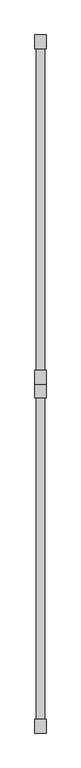
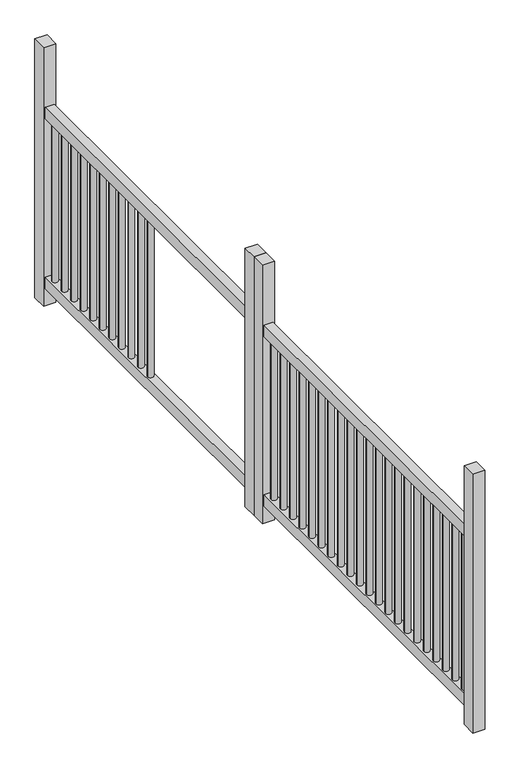
"""IFC4 building model written with IfcOpenShell, lengths in millimetres: railing geometry."""

from ifc_helpers import new_model, si_unit, point, frame, frame_2d, origin, origin_with_axes, place, context, project, spatial, polyline, circle_curve, trimmed, segment, composite_curve, outline, extrude, source, transform, mapped, element, save


def railing_8ab2999a(model_context):
    return source(origin(), model_context, "Body", "SweptSolid", [
        extrude(outline(composite_curve([segment(trimmed(circle_curve(frame_2d((139.7628773, -23886.8028355)), 10.0), [point((149.7628773, -23886.8028355))], [point((129.7628773, -23886.8028355))], False, "CARTESIAN"), True, "CONTINUOUS"), segment(trimmed(circle_curve(frame_2d((139.7628773, -23886.8028355)), 10.0), [point((129.7628773, -23886.8028355))], [point((149.7628773, -23886.8028355))], False, "CARTESIAN"), True, "CONTINUOUS")], self_intersect=False)), frame((0.0, 0.0, 100.0), z_axis=(0.0, 0.0, 1.0), x_axis=(1.0, 0.0, 0.0)), (0.0, 0.0, 1.0), 550.0),
        extrude(outline(composite_curve([segment(trimmed(circle_curve(frame_2d((139.7628773, -23832.3028355)), 10.0), [point((149.7628773, -23832.3028355))], [point((129.7628773, -23832.3028355))], False, "CARTESIAN"), True, "CONTINUOUS"), segment(trimmed(circle_curve(frame_2d((139.7628773, -23832.3028355)), 10.0), [point((129.7628773, -23832.3028355))], [point((149.7628773, -23832.3028355))], False, "CARTESIAN"), True, "CONTINUOUS")], self_intersect=False)), frame((0.0, 0.0, 100.0), z_axis=(0.0, 0.0, 1.0), x_axis=(1.0, 0.0, 0.0)), (0.0, 0.0, 1.0), 550.0),
        extrude(outline(composite_curve([segment(trimmed(circle_curve(frame_2d((139.7628773, -23777.8028355)), 10.0), [point((149.7628773, -23777.8028355))], [point((129.7628773, -23777.8028355))], False, "CARTESIAN"), True, "CONTINUOUS"), segment(trimmed(circle_curve(frame_2d((139.7628773, -23777.8028355)), 10.0), [point((129.7628773, -23777.8028355))], [point((149.7628773, -23777.8028355))], False, "CARTESIAN"), True, "CONTINUOUS")], self_intersect=False)), frame((0.0, 0.0, 100.0), z_axis=(0.0, 0.0, 1.0), x_axis=(1.0, 0.0, 0.0)), (0.0, 0.0, 1.0), 550.0),
        extrude(outline(composite_curve([segment(trimmed(circle_curve(frame_2d((139.7628773, -23723.3028355)), 10.0), [point((149.7628773, -23723.3028355))], [point((129.7628773, -23723.3028355))], False, "CARTESIAN"), True, "CONTINUOUS"), segment(trimmed(circle_curve(frame_2d((139.7628773, -23723.3028355)), 10.0), [point((129.7628773, -23723.3028355))], [point((149.7628773, -23723.3028355))], False, "CARTESIAN"), True, "CONTINUOUS")], self_intersect=False)), frame((0.0, 0.0, 100.0), z_axis=(0.0, 0.0, 1.0), x_axis=(1.0, 0.0, 0.0)), (0.0, 0.0, 1.0), 550.0),
        extrude(outline(composite_curve([segment(trimmed(circle_curve(frame_2d((139.7628773, -23668.8028355)), 10.0), [point((149.7628773, -23668.8028355))], [point((129.7628773, -23668.8028355))], False, "CARTESIAN"), True, "CONTINUOUS"), segment(trimmed(circle_curve(frame_2d((139.7628773, -23668.8028355)), 10.0), [point((129.7628773, -23668.8028355))], [point((149.7628773, -23668.8028355))], False, "CARTESIAN"), True, "CONTINUOUS")], self_intersect=False)), frame((0.0, 0.0, 100.0), z_axis=(0.0, 0.0, 1.0), x_axis=(1.0, 0.0, 0.0)), (0.0, 0.0, 1.0), 550.0),
        extrude(outline(composite_curve([segment(trimmed(circle_curve(frame_2d((139.7628773, -23614.3028355)), 10.0), [point((149.7628773, -23614.3028355))], [point((129.7628773, -23614.3028355))], False, "CARTESIAN"), True, "CONTINUOUS"), segment(trimmed(circle_curve(frame_2d((139.7628773, -23614.3028355)), 10.0), [point((129.7628773, -23614.3028355))], [point((149.7628773, -23614.3028355))], False, "CARTESIAN"), True, "CONTINUOUS")], self_intersect=False)), frame((0.0, 0.0, 100.0), z_axis=(0.0, 0.0, 1.0), x_axis=(1.0, 0.0, 0.0)), (0.0, 0.0, 1.0), 550.0),
        extrude(outline(composite_curve([segment(trimmed(circle_curve(frame_2d((139.7628773, -23559.8028355)), 10.0), [point((149.7628773, -23559.8028355))], [point((129.7628773, -23559.8028355))], False, "CARTESIAN"), True, "CONTINUOUS"), segment(trimmed(circle_curve(frame_2d((139.7628773, -23559.8028355)), 10.0), [point((129.7628773, -23559.8028355))], [point((149.7628773, -23559.8028355))], False, "CARTESIAN"), True, "CONTINUOUS")], self_intersect=False)), frame((0.0, 0.0, 100.0), z_axis=(0.0, 0.0, 1.0), x_axis=(1.0, 0.0, 0.0)), (0.0, 0.0, 1.0), 550.0),
        extrude(outline(composite_curve([segment(trimmed(circle_curve(frame_2d((139.7628773, -23505.3028355)), 10.0), [point((149.7628773, -23505.3028355))], [point((129.7628773, -23505.3028355))], False, "CARTESIAN"), True, "CONTINUOUS"), segment(trimmed(circle_curve(frame_2d((139.7628773, -23505.3028355)), 10.0), [point((129.7628773, -23505.3028355))], [point((149.7628773, -23505.3028355))], False, "CARTESIAN"), True, "CONTINUOUS")], self_intersect=False)), frame((0.0, 0.0, 100.0), z_axis=(0.0, 0.0, 1.0), x_axis=(1.0, 0.0, 0.0)), (0.0, 0.0, 1.0), 550.0),
        extrude(outline(composite_curve([segment(trimmed(circle_curve(frame_2d((139.7628773, -23450.8028355)), 10.0), [point((149.7628773, -23450.8028355))], [point((129.7628773, -23450.8028355))], False, "CARTESIAN"), True, "CONTINUOUS"), segment(trimmed(circle_curve(frame_2d((139.7628773, -23450.8028355)), 10.0), [point((129.7628773, -23450.8028355))], [point((149.7628773, -23450.8028355))], False, "CARTESIAN"), True, "CONTINUOUS")], self_intersect=False)), frame((0.0, 0.0, 100.0), z_axis=(0.0, 0.0, 1.0), x_axis=(1.0, 0.0, 0.0)), (0.0, 0.0, 1.0), 550.0),
        extrude(outline(composite_curve([segment(trimmed(circle_curve(frame_2d((139.7628773, -23396.3028355)), 10.0), [point((149.7628773, -23396.3028355))], [point((129.7628773, -23396.3028355))], False, "CARTESIAN"), True, "CONTINUOUS"), segment(trimmed(circle_curve(frame_2d((139.7628773, -23396.3028355)), 10.0), [point((129.7628773, -23396.3028355))], [point((149.7628773, -23396.3028355))], False, "CARTESIAN"), True, "CONTINUOUS")], self_intersect=False)), frame((0.0, 0.0, 100.0), z_axis=(0.0, 0.0, 1.0), x_axis=(1.0, 0.0, 0.0)), (0.0, 0.0, 1.0), 550.0),
        extrude(outline(composite_curve([segment(trimmed(circle_curve(frame_2d((139.7628773, -23341.8028355)), 10.0), [point((149.7628773, -23341.8028355))], [point((129.7628773, -23341.8028355))], False, "CARTESIAN"), True, "CONTINUOUS"), segment(trimmed(circle_curve(frame_2d((139.7628773, -23341.8028355)), 10.0), [point((129.7628773, -23341.8028355))], [point((149.7628773, -23341.8028355))], False, "CARTESIAN"), True, "CONTINUOUS")], self_intersect=False)), frame((0.0, 0.0, 100.0), z_axis=(0.0, 0.0, 1.0), x_axis=(1.0, 0.0, 0.0)), (0.0, 0.0, 1.0), 550.0),
        extrude(outline(polyline([(154.7628773, -23311.8035459), (154.7628773, -24461.8039179), (124.7628773, -24461.8039179), (124.7628773, -23311.8035459), (154.7628773, -23311.8035459)])), frame((0.0, 0.0, 649.9990226), z_axis=(0.0, 0.0, 1.0), x_axis=(1.0, 0.0, 0.0)), (0.0, 0.0, 1.0), 40.0009774),
        extrude(outline(polyline([(154.7628773, -23311.8035459), (154.7628773, -24461.8039179), (124.7628773, -24461.8039179), (124.7628773, -23311.8035459), (154.7628773, -23311.8035459)])), frame((0.0, 0.0, 60.0), z_axis=(0.0, 0.0, 1.0), x_axis=(1.0, 0.0, 0.0)), (0.0, 0.0, 1.0), 40.0),
        extrude(outline(polyline([(159.7628773, -23261.8035459), (159.7628773, -23311.8035459), (119.7628773, -23311.8035459), (119.7628773, -23261.8035459), (159.7628773, -23261.8035459)])), origin_with_axes(), (0.0, 0.0, 1.0), 900.0),
        extrude(outline(polyline([(159.7628773, -24461.8032074), (159.7628773, -24511.8032074), (119.7628773, -24511.8032074), (119.7628773, -24461.8032074), (159.7628773, -24461.8032074)])), origin_with_axes(), (0.0, 0.0, 1.0), 900.0),
        extrude(outline(composite_curve([segment(trimmed(circle_curve(frame_2d((139.7628773, -25680.8030047)), 10.0), [point((149.7628773, -25680.8030047))], [point((129.7628773, -25680.8030047))], False, "CARTESIAN"), True, "CONTINUOUS"), segment(trimmed(circle_curve(frame_2d((139.7628773, -25680.8030047)), 10.0), [point((129.7628773, -25680.8030047))], [point((149.7628773, -25680.8030047))], False, "CARTESIAN"), True, "CONTINUOUS")], self_intersect=False)), frame((0.0, 0.0, 100.0), z_axis=(0.0, 0.0, 1.0), x_axis=(1.0, 0.0, 0.0)), (0.0, 0.0, 1.0), 550.0),
        extrude(outline(composite_curve([segment(trimmed(circle_curve(frame_2d((139.7628773, -25626.3030047)), 10.0), [point((149.7628773, -25626.3030047))], [point((129.7628773, -25626.3030047))], False, "CARTESIAN"), True, "CONTINUOUS"), segment(trimmed(circle_curve(frame_2d((139.7628773, -25626.3030047)), 10.0), [point((129.7628773, -25626.3030047))], [point((149.7628773, -25626.3030047))], False, "CARTESIAN"), True, "CONTINUOUS")], self_intersect=False)), frame((0.0, 0.0, 100.0), z_axis=(0.0, 0.0, 1.0), x_axis=(1.0, 0.0, 0.0)), (0.0, 0.0, 1.0), 550.0),
        extrude(outline(composite_curve([segment(trimmed(circle_curve(frame_2d((139.7628773, -25571.8030047)), 10.0), [point((149.7628773, -25571.8030047))], [point((129.7628773, -25571.8030047))], False, "CARTESIAN"), True, "CONTINUOUS"), segment(trimmed(circle_curve(frame_2d((139.7628773, -25571.8030047)), 10.0), [point((129.7628773, -25571.8030047))], [point((149.7628773, -25571.8030047))], False, "CARTESIAN"), True, "CONTINUOUS")], self_intersect=False)), frame((0.0, 0.0, 100.0), z_axis=(0.0, 0.0, 1.0), x_axis=(1.0, 0.0, 0.0)), (0.0, 0.0, 1.0), 550.0),
        extrude(outline(composite_curve([segment(trimmed(circle_curve(frame_2d((139.7628773, -25517.3030047)), 10.0), [point((149.7628773, -25517.3030047))], [point((129.7628773, -25517.3030047))], False, "CARTESIAN"), True, "CONTINUOUS"), segment(trimmed(circle_curve(frame_2d((139.7628773, -25517.3030047)), 10.0), [point((129.7628773, -25517.3030047))], [point((149.7628773, -25517.3030047))], False, "CARTESIAN"), True, "CONTINUOUS")], self_intersect=False)), frame((0.0, 0.0, 100.0), z_axis=(0.0, 0.0, 1.0), x_axis=(1.0, 0.0, 0.0)), (0.0, 0.0, 1.0), 550.0),
        extrude(outline(composite_curve([segment(trimmed(circle_curve(frame_2d((139.7628773, -25462.8030047)), 10.0), [point((149.7628773, -25462.8030047))], [point((129.7628773, -25462.8030047))], False, "CARTESIAN"), True, "CONTINUOUS"), segment(trimmed(circle_curve(frame_2d((139.7628773, -25462.8030047)), 10.0), [point((129.7628773, -25462.8030047))], [point((149.7628773, -25462.8030047))], False, "CARTESIAN"), True, "CONTINUOUS")], self_intersect=False)), frame((0.0, 0.0, 100.0), z_axis=(0.0, 0.0, 1.0), x_axis=(1.0, 0.0, 0.0)), (0.0, 0.0, 1.0), 550.0),
        extrude(outline(composite_curve([segment(trimmed(circle_curve(frame_2d((139.7628773, -25408.3030047)), 10.0), [point((149.7628773, -25408.3030047))], [point((129.7628773, -25408.3030047))], False, "CARTESIAN"), True, "CONTINUOUS"), segment(trimmed(circle_curve(frame_2d((139.7628773, -25408.3030047)), 10.0), [point((129.7628773, -25408.3030047))], [point((149.7628773, -25408.3030047))], False, "CARTESIAN"), True, "CONTINUOUS")], self_intersect=False)), frame((0.0, 0.0, 100.0), z_axis=(0.0, 0.0, 1.0), x_axis=(1.0, 0.0, 0.0)), (0.0, 0.0, 1.0), 550.0),
        extrude(outline(composite_curve([segment(trimmed(circle_curve(frame_2d((139.7628773, -25353.8030047)), 10.0), [point((149.7628773, -25353.8030047))], [point((129.7628773, -25353.8030047))], False, "CARTESIAN"), True, "CONTINUOUS"), segment(trimmed(circle_curve(frame_2d((139.7628773, -25353.8030047)), 10.0), [point((129.7628773, -25353.8030047))], [point((149.7628773, -25353.8030047))], False, "CARTESIAN"), True, "CONTINUOUS")], self_intersect=False)), frame((0.0, 0.0, 100.0), z_axis=(0.0, 0.0, 1.0), x_axis=(1.0, 0.0, 0.0)), (0.0, 0.0, 1.0), 550.0),
        extrude(outline(composite_curve([segment(trimmed(circle_curve(frame_2d((139.7628773, -25299.3030047)), 10.0), [point((149.7628773, -25299.3030047))], [point((129.7628773, -25299.3030047))], False, "CARTESIAN"), True, "CONTINUOUS"), segment(trimmed(circle_curve(frame_2d((139.7628773, -25299.3030047)), 10.0), [point((129.7628773, -25299.3030047))], [point((149.7628773, -25299.3030047))], False, "CARTESIAN"), True, "CONTINUOUS")], self_intersect=False)), frame((0.0, 0.0, 100.0), z_axis=(0.0, 0.0, 1.0), x_axis=(1.0, 0.0, 0.0)), (0.0, 0.0, 1.0), 550.0),
        extrude(outline(composite_curve([segment(trimmed(circle_curve(frame_2d((139.7628773, -25244.8030047)), 10.0), [point((149.7628773, -25244.8030047))], [point((129.7628773, -25244.8030047))], False, "CARTESIAN"), True, "CONTINUOUS"), segment(trimmed(circle_curve(frame_2d((139.7628773, -25244.8030047)), 10.0), [point((129.7628773, -25244.8030047))], [point((149.7628773, -25244.8030047))], False, "CARTESIAN"), True, "CONTINUOUS")], self_intersect=False)), frame((0.0, 0.0, 100.0), z_axis=(0.0, 0.0, 1.0), x_axis=(1.0, 0.0, 0.0)), (0.0, 0.0, 1.0), 550.0),
        extrude(outline(composite_curve([segment(trimmed(circle_curve(frame_2d((139.7628773, -25190.3030047)), 10.0), [point((149.7628773, -25190.3030047))], [point((129.7628773, -25190.3030047))], False, "CARTESIAN"), True, "CONTINUOUS"), segment(trimmed(circle_curve(frame_2d((139.7628773, -25190.3030047)), 10.0), [point((129.7628773, -25190.3030047))], [point((149.7628773, -25190.3030047))], False, "CARTESIAN"), True, "CONTINUOUS")], self_intersect=False)), frame((0.0, 0.0, 100.0), z_axis=(0.0, 0.0, 1.0), x_axis=(1.0, 0.0, 0.0)), (0.0, 0.0, 1.0), 550.0),
        extrude(outline(composite_curve([segment(trimmed(circle_curve(frame_2d((139.7628773, -25135.8030047)), 10.0), [point((149.7628773, -25135.8030047))], [point((129.7628773, -25135.8030047))], False, "CARTESIAN"), True, "CONTINUOUS"), segment(trimmed(circle_curve(frame_2d((139.7628773, -25135.8030047)), 10.0), [point((129.7628773, -25135.8030047))], [point((149.7628773, -25135.8030047))], False, "CARTESIAN"), True, "CONTINUOUS")], self_intersect=False)), frame((0.0, 0.0, 100.0), z_axis=(0.0, 0.0, 1.0), x_axis=(1.0, 0.0, 0.0)), (0.0, 0.0, 1.0), 550.0),
        extrude(outline(composite_curve([segment(trimmed(circle_curve(frame_2d((139.7628773, -25081.3030047)), 10.0), [point((149.7628773, -25081.3030047))], [point((129.7628773, -25081.3030047))], False, "CARTESIAN"), True, "CONTINUOUS"), segment(trimmed(circle_curve(frame_2d((139.7628773, -25081.3030047)), 10.0), [point((129.7628773, -25081.3030047))], [point((149.7628773, -25081.3030047))], False, "CARTESIAN"), True, "CONTINUOUS")], self_intersect=False)), frame((0.0, 0.0, 100.0), z_axis=(0.0, 0.0, 1.0), x_axis=(1.0, 0.0, 0.0)), (0.0, 0.0, 1.0), 550.0),
        extrude(outline(composite_curve([segment(trimmed(circle_curve(frame_2d((139.7628773, -25026.8030047)), 10.0), [point((149.7628773, -25026.8030047))], [point((129.7628773, -25026.8030047))], False, "CARTESIAN"), True, "CONTINUOUS"), segment(trimmed(circle_curve(frame_2d((139.7628773, -25026.8030047)), 10.0), [point((129.7628773, -25026.8030047))], [point((149.7628773, -25026.8030047))], False, "CARTESIAN"), True, "CONTINUOUS")], self_intersect=False)), frame((0.0, 0.0, 100.0), z_axis=(0.0, 0.0, 1.0), x_axis=(1.0, 0.0, 0.0)), (0.0, 0.0, 1.0), 550.0),
        extrude(outline(composite_curve([segment(trimmed(circle_curve(frame_2d((139.7628773, -24972.3030047)), 10.0), [point((149.7628773, -24972.3030047))], [point((129.7628773, -24972.3030047))], False, "CARTESIAN"), True, "CONTINUOUS"), segment(trimmed(circle_curve(frame_2d((139.7628773, -24972.3030047)), 10.0), [point((129.7628773, -24972.3030047))], [point((149.7628773, -24972.3030047))], False, "CARTESIAN"), True, "CONTINUOUS")], self_intersect=False)), frame((0.0, 0.0, 100.0), z_axis=(0.0, 0.0, 1.0), x_axis=(1.0, 0.0, 0.0)), (0.0, 0.0, 1.0), 550.0),
        extrude(outline(composite_curve([segment(trimmed(circle_curve(frame_2d((139.7628773, -24917.8030047)), 10.0), [point((149.7628773, -24917.8030047))], [point((129.7628773, -24917.8030047))], False, "CARTESIAN"), True, "CONTINUOUS"), segment(trimmed(circle_curve(frame_2d((139.7628773, -24917.8030047)), 10.0), [point((129.7628773, -24917.8030047))], [point((149.7628773, -24917.8030047))], False, "CARTESIAN"), True, "CONTINUOUS")], self_intersect=False)), frame((0.0, 0.0, 100.0), z_axis=(0.0, 0.0, 1.0), x_axis=(1.0, 0.0, 0.0)), (0.0, 0.0, 1.0), 550.0),
        extrude(outline(composite_curve([segment(trimmed(circle_curve(frame_2d((139.7628773, -24863.3030047)), 10.0), [point((149.7628773, -24863.3030047))], [point((129.7628773, -24863.3030047))], False, "CARTESIAN"), True, "CONTINUOUS"), segment(trimmed(circle_curve(frame_2d((139.7628773, -24863.3030047)), 10.0), [point((129.7628773, -24863.3030047))], [point((149.7628773, -24863.3030047))], False, "CARTESIAN"), True, "CONTINUOUS")], self_intersect=False)), frame((0.0, 0.0, 100.0), z_axis=(0.0, 0.0, 1.0), x_axis=(1.0, 0.0, 0.0)), (0.0, 0.0, 1.0), 550.0),
        extrude(outline(composite_curve([segment(trimmed(circle_curve(frame_2d((139.7628773, -24808.8030047)), 10.0), [point((149.7628773, -24808.8030047))], [point((129.7628773, -24808.8030047))], False, "CARTESIAN"), True, "CONTINUOUS"), segment(trimmed(circle_curve(frame_2d((139.7628773, -24808.8030047)), 10.0), [point((129.7628773, -24808.8030047))], [point((149.7628773, -24808.8030047))], False, "CARTESIAN"), True, "CONTINUOUS")], self_intersect=False)), frame((0.0, 0.0, 100.0), z_axis=(0.0, 0.0, 1.0), x_axis=(1.0, 0.0, 0.0)), (0.0, 0.0, 1.0), 550.0),
        extrude(outline(composite_curve([segment(trimmed(circle_curve(frame_2d((139.7628773, -24754.3030047)), 10.0), [point((149.7628773, -24754.3030047))], [point((129.7628773, -24754.3030047))], False, "CARTESIAN"), True, "CONTINUOUS"), segment(trimmed(circle_curve(frame_2d((139.7628773, -24754.3030047)), 10.0), [point((129.7628773, -24754.3030047))], [point((149.7628773, -24754.3030047))], False, "CARTESIAN"), True, "CONTINUOUS")], self_intersect=False)), frame((0.0, 0.0, 100.0), z_axis=(0.0, 0.0, 1.0), x_axis=(1.0, 0.0, 0.0)), (0.0, 0.0, 1.0), 550.0),
        extrude(outline(composite_curve([segment(trimmed(circle_curve(frame_2d((139.7628773, -24699.8030047)), 10.0), [point((149.7628773, -24699.8030047))], [point((129.7628773, -24699.8030047))], False, "CARTESIAN"), True, "CONTINUOUS"), segment(trimmed(circle_curve(frame_2d((139.7628773, -24699.8030047)), 10.0), [point((129.7628773, -24699.8030047))], [point((149.7628773, -24699.8030047))], False, "CARTESIAN"), True, "CONTINUOUS")], self_intersect=False)), frame((0.0, 0.0, 100.0), z_axis=(0.0, 0.0, 1.0), x_axis=(1.0, 0.0, 0.0)), (0.0, 0.0, 1.0), 550.0),
        extrude(outline(composite_curve([segment(trimmed(circle_curve(frame_2d((139.7628773, -24645.3030047)), 10.0), [point((149.7628773, -24645.3030047))], [point((129.7628773, -24645.3030047))], False, "CARTESIAN"), True, "CONTINUOUS"), segment(trimmed(circle_curve(frame_2d((139.7628773, -24645.3030047)), 10.0), [point((129.7628773, -24645.3030047))], [point((149.7628773, -24645.3030047))], False, "CARTESIAN"), True, "CONTINUOUS")], self_intersect=False)), frame((0.0, 0.0, 100.0), z_axis=(0.0, 0.0, 1.0), x_axis=(1.0, 0.0, 0.0)), (0.0, 0.0, 1.0), 550.0),
        extrude(outline(composite_curve([segment(trimmed(circle_curve(frame_2d((139.7628773, -24590.8030047)), 10.0), [point((149.7628773, -24590.8030047))], [point((129.7628773, -24590.8030047))], False, "CARTESIAN"), True, "CONTINUOUS"), segment(trimmed(circle_curve(frame_2d((139.7628773, -24590.8030047)), 10.0), [point((129.7628773, -24590.8030047))], [point((149.7628773, -24590.8030047))], False, "CARTESIAN"), True, "CONTINUOUS")], self_intersect=False)), frame((0.0, 0.0, 100.0), z_axis=(0.0, 0.0, 1.0), x_axis=(1.0, 0.0, 0.0)), (0.0, 0.0, 1.0), 550.0),
        extrude(outline(polyline([(154.7628773, -24560.8037152), (154.7628773, -25710.8040871), (124.7628773, -25710.8040871), (124.7628773, -24560.8037152), (154.7628773, -24560.8037152)])), frame((0.0, 0.0, 649.9990226), z_axis=(0.0, 0.0, 1.0), x_axis=(1.0, 0.0, 0.0)), (0.0, 0.0, 1.0), 40.0009774),
        extrude(outline(polyline([(154.7628773, -24560.8037152), (154.7628773, -25710.8040871), (124.7628773, -25710.8040871), (124.7628773, -24560.8037152), (154.7628773, -24560.8037152)])), frame((0.0, 0.0, 60.0), z_axis=(0.0, 0.0, 1.0), x_axis=(1.0, 0.0, 0.0)), (0.0, 0.0, 1.0), 40.0),
        extrude(outline(polyline([(159.7628773, -24510.8037152), (159.7628773, -24560.8037152), (119.7628773, -24560.8037152), (119.7628773, -24510.8037152), (159.7628773, -24510.8037152)])), origin_with_axes(), (0.0, 0.0, 1.0), 900.0),
        extrude(outline(polyline([(159.7628773, -25710.8033767), (159.7628773, -25760.8033767), (119.7628773, -25760.8033767), (119.7628773, -25710.8033767), (159.7628773, -25710.8033767)])), origin_with_axes(), (0.0, 0.0, 1.0), 900.0),
    ])


if __name__ == "__main__":
    model = new_model("IFC4")
    model_context = context("Model", 3, world=origin())
    ifc_project = project(units=[si_unit("LENGTHUNIT", "METRE", prefix="MILLI")], contexts=[model_context])
    site = spatial("IfcSite", under=ifc_project)
    building = spatial("IfcBuilding", under=site)
    placement = place(None, origin())
    railing_shape = railing_8ab2999a(model_context)
    element("IfcRailing", 1, at=placement, inside=building, context=model_context, shape_type="MappedRepresentation", body=[
        mapped(railing_shape, transform((0.0, 0.0, 0.0), x_axis=(1.0, 0.0, 0.0), y_axis=(0.0, 1.0, 0.0), z_axis=(0.0, 0.0, 1.0))),
    ])
    save(model, "model.ifc")
